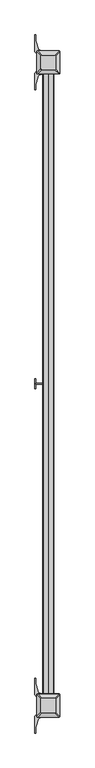
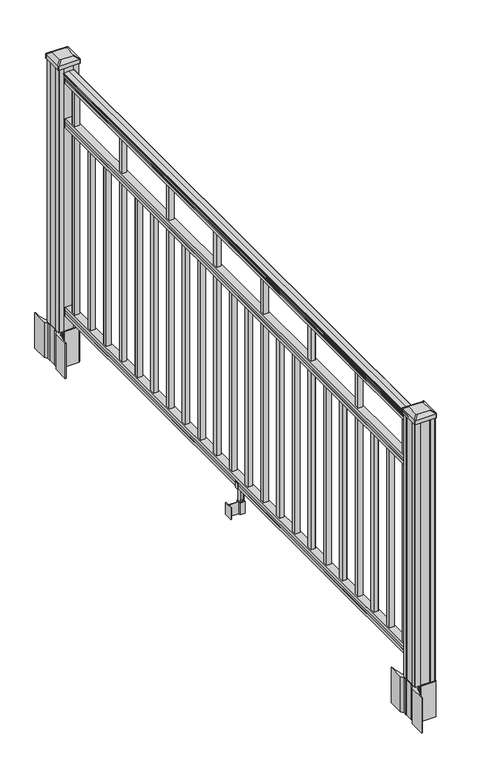
"""IFC4 building model written with IfcOpenShell, lengths in millimetres: railing geometry."""

from ifc_helpers import new_model, si_unit, point, frame, frame_2d, origin, origin_with_axes, place, context, project, spatial, polyline, circle_curve, trimmed, segment, composite_curve, outline, extrude, source, transform, mapped, element, save
from ifc_brep_helpers import plane_surface, extruded_surface, advanced_brep


def railing_6a52abfd(model_context):
    return source(origin(), model_context, "Body", "SolidModel", [
        extrude(outline(composite_curve([segment(polyline([(1090.8043297, 3404.2080205), (1092.692412, 3404.2080205)]), True, "CONTINUOUS"), segment(trimmed(circle_curve(frame_2d((1098.4506383, 3397.8932672)), 8.545951), [point((1092.692412, 3404.2080205))], [point((1094.2546695, 3405.3382068))], False, "CARTESIAN"), True, "CONTINUOUS"), segment(trimmed(circle_curve(frame_2d((1097.8636577, 3398.3303302)), 7.882584), [point((1094.2546695, 3405.3382068))], [point((1101.4726458, 3405.3382068))], False, "CARTESIAN"), True, "CONTINUOUS"), segment(trimmed(circle_curve(frame_2d((1103.7112527, 3408.8436543)), 4.1592695), [point((1101.4726458, 3405.3382068))], [point((1103.9060812, 3404.6889504))], True, "CARTESIAN"), True, "CONTINUOUS"), segment(trimmed(circle_curve(frame_2d((1103.6508864, 3410.1309609)), 5.4479907), [point((1103.9060812, 3404.6889504))], [point((1108.2362083, 3407.1889504))], True, "CARTESIAN"), True, "CONTINUOUS"), segment(trimmed(circle_curve(frame_2d((1108.233395, 3408.8978025)), 1.7088543), [point((1108.2362083, 3407.1889504))], [point((1109.9157972, 3408.5982929))], True, "CARTESIAN"), True, "CONTINUOUS"), segment(trimmed(circle_curve(frame_2d((1111.0205318, 3407.2809024)), 1.7192895), [point((1109.9157972, 3408.5982929))], [point((1111.0205318, 3409.0001919))], False, "CARTESIAN"), True, "CONTINUOUS"), segment(polyline([(1111.0205318, 3409.0001919), (1112.3608158, 3409.0001918)]), True, "CONTINUOUS"), segment(trimmed(circle_curve(frame_2d((1112.3608158, 3407.4467446)), 1.5534472), [point((1112.3608158, 3409.0001918))], [point((1113.914263, 3407.4467446))], False, "CARTESIAN"), True, "CONTINUOUS"), segment(polyline([(1113.914263, 3407.4467446), (1113.914263, 3386.7751918), (1113.914263, 3366.103639)]), True, "CONTINUOUS"), segment(trimmed(circle_curve(frame_2d((1112.3608158, 3366.103639)), 1.5534472), [point((1113.914263, 3366.103639))], [point((1112.3608158, 3364.5501918))], False, "CARTESIAN"), True, "CONTINUOUS"), segment(polyline([(1112.3608158, 3364.5501918), (1111.0205318, 3364.5501918)]), True, "CONTINUOUS"), segment(trimmed(circle_curve(frame_2d((1111.0205318, 3366.2694812)), 1.7192895), [point((1111.0205318, 3364.5501918))], [point((1109.9157972, 3364.9520907))], False, "CARTESIAN"), True, "CONTINUOUS"), segment(trimmed(circle_curve(frame_2d((1108.233395, 3364.6525811)), 1.7088543), [point((1109.9157972, 3364.9520907))], [point((1108.2362083, 3366.3614332))], True, "CARTESIAN"), True, "CONTINUOUS"), segment(trimmed(circle_curve(frame_2d((1103.6508864, 3363.4194227)), 5.4479907), [point((1108.2362083, 3366.3614332))], [point((1103.9060812, 3368.8614332))], True, "CARTESIAN"), True, "CONTINUOUS"), segment(trimmed(circle_curve(frame_2d((1103.7112527, 3364.7067292)), 4.1592695), [point((1103.9060812, 3368.8614332))], [point((1101.4726458, 3368.2121768))], True, "CARTESIAN"), True, "CONTINUOUS"), segment(trimmed(circle_curve(frame_2d((1097.8636577, 3375.2200534)), 7.882584), [point((1101.4726458, 3368.2121768))], [point((1094.2546695, 3368.2121768))], False, "CARTESIAN"), True, "CONTINUOUS"), segment(trimmed(circle_curve(frame_2d((1098.4506383, 3375.6571163)), 8.545951), [point((1094.2546695, 3368.2121768))], [point((1092.692412, 3369.3423631))], False, "CARTESIAN"), True, "CONTINUOUS"), segment(polyline([(1092.692412, 3369.3423631), (1090.8043297, 3369.3423631)]), True, "CONTINUOUS"), segment(trimmed(circle_curve(frame_2d((1090.8043297, 3370.6292774)), 1.2869144), [point((1090.8043297, 3369.3423631))], [point((1090.8043297, 3371.9161918))], False, "CARTESIAN"), True, "CONTINUOUS"), segment(polyline([(1090.8043297, 3371.9161918), (1080.3048283, 3371.9161918), (1079.2888283, 3370.9001918), (1066.8, 3370.9001918), (1066.8, 3402.6501918), (1079.131013, 3402.6501918), (1080.147013, 3401.6341918), (1090.8043297, 3401.6341918)]), True, "CONTINUOUS"), segment(trimmed(circle_curve(frame_2d((1090.8043297, 3402.9211062)), 1.2869144), [point((1090.8043297, 3401.6341918))], [point((1090.8043297, 3404.2080205))], False, "CARTESIAN"), True, "CONTINUOUS")], self_intersect=False)), frame((0.0, -114667.8908968, 0.0), z_axis=(0.0, 1.0, 0.0), x_axis=(0.0, 0.0, 1.0)), (0.0, 0.0, 1.0), 2438.4),
        extrude(outline(polyline([(888.8541976, 3402.6876787), (890.1546183, 3401.6716787), (900.5141717, 3401.6716787), (901.8624492, 3402.6876787), (914.3958781, 3402.6876787), (914.3958781, 3370.9376787), (901.8458024, 3370.9376787), (900.4975248, 3371.9536787), (890.1858283, 3371.9536787), (888.8375508, 3370.9376787), (876.3, 3370.9376787), (876.3, 3402.6876787), (888.8541976, 3402.6876787)])), frame((0.0, -114667.8908968, 0.0), z_axis=(0.0, 1.0, 0.0), x_axis=(0.0, 0.0, 1.0)), (0.0, 0.0, 1.0), 2438.4),
        extrude(outline(polyline([(76.0541976, 3402.6876787), (77.3546183, 3401.6716787), (87.7141717, 3401.6716787), (89.0624492, 3402.6876787), (101.5958781, 3402.6876787), (101.5958781, 3370.9376787), (89.0458024, 3370.9376787), (87.6975248, 3371.9536787), (77.3858283, 3371.9536787), (76.0375508, 3370.9376787), (63.5, 3370.9376787), (63.5, 3402.6876787), (76.0541976, 3402.6876787)])), frame((0.0, -114667.8908968, 0.0), z_axis=(0.0, 1.0, 0.0), x_axis=(0.0, 0.0, 1.0)), (0.0, 0.0, 1.0), 2438.4),
        extrude(outline(polyline([(3396.3001918, -112288.7998968), (3377.2501918, -112288.7998968), (3377.2501918, -112269.7498968), (3396.3001918, -112269.7498968), (3396.3001918, -112288.7998968)]), holes=[polyline([(3395.9033168, -112288.4030218), (3395.9033168, -112270.1467718), (3377.6470668, -112270.1467718), (3377.6470668, -112288.4030218), (3395.9033168, -112288.4030218)])]), frame((0.0, 0.0, 101.5958781), z_axis=(0.0, 0.0, 1.0), x_axis=(1.0, 0.0, 0.0)), (0.0, 0.0, 1.0), 965.2041219),
        extrude(outline(polyline([(3396.3001918, -112400.0518968), (3377.2501918, -112400.0518968), (3377.2501918, -112381.0018968), (3396.3001918, -112381.0018968), (3396.3001918, -112400.0518968)]), holes=[polyline([(3395.9033168, -112399.6550218), (3395.9033168, -112381.3987718), (3377.6470668, -112381.3987718), (3377.6470668, -112399.6550218), (3395.9033168, -112399.6550218)])]), frame((0.0, 0.0, 101.5958781), z_axis=(0.0, 0.0, 1.0), x_axis=(1.0, 0.0, 0.0)), (0.0, 0.0, 1.0), 774.7041219),
        extrude(outline(polyline([(3396.3001918, -112511.3038968), (3377.2501918, -112511.3038968), (3377.2501918, -112492.2538968), (3396.3001918, -112492.2538968), (3396.3001918, -112511.3038968)]), holes=[polyline([(3395.9033168, -112510.9070218), (3395.9033168, -112492.6507718), (3377.6470668, -112492.6507718), (3377.6470668, -112510.9070218), (3395.9033168, -112510.9070218)])]), frame((0.0, 0.0, 101.5958781), z_axis=(0.0, 0.0, 1.0), x_axis=(1.0, 0.0, 0.0)), (0.0, 0.0, 1.0), 774.7041219),
        extrude(outline(polyline([(3396.3001918, -112622.5558968), (3377.2501918, -112622.5558968), (3377.2501918, -112603.5058968), (3396.3001918, -112603.5058968), (3396.3001918, -112622.5558968)]), holes=[polyline([(3395.9033168, -112622.1590218), (3395.9033168, -112603.9027718), (3377.6470668, -112603.9027718), (3377.6470668, -112622.1590218), (3395.9033168, -112622.1590218)])]), frame((0.0, 0.0, 101.5958781), z_axis=(0.0, 0.0, 1.0), x_axis=(1.0, 0.0, 0.0)), (0.0, 0.0, 1.0), 965.2041219),
        extrude(outline(polyline([(3396.3001918, -112733.8078968), (3377.2501918, -112733.8078968), (3377.2501918, -112714.7578968), (3396.3001918, -112714.7578968), (3396.3001918, -112733.8078968)]), holes=[polyline([(3395.9033168, -112733.4110218), (3395.9033168, -112715.1547718), (3377.6470668, -112715.1547718), (3377.6470668, -112733.4110218), (3395.9033168, -112733.4110218)])]), frame((0.0, 0.0, 101.5958781), z_axis=(0.0, 0.0, 1.0), x_axis=(1.0, 0.0, 0.0)), (0.0, 0.0, 1.0), 774.7041219),
        extrude(outline(polyline([(3396.3001918, -112845.0598968), (3377.2501918, -112845.0598968), (3377.2501918, -112826.0098968), (3396.3001918, -112826.0098968), (3396.3001918, -112845.0598968)]), holes=[polyline([(3395.9033168, -112844.6630218), (3395.9033168, -112826.4067718), (3377.6470668, -112826.4067718), (3377.6470668, -112844.6630218), (3395.9033168, -112844.6630218)])]), frame((0.0, 0.0, 101.5958781), z_axis=(0.0, 0.0, 1.0), x_axis=(1.0, 0.0, 0.0)), (0.0, 0.0, 1.0), 774.7041219),
        extrude(outline(polyline([(3396.3001918, -112956.3118968), (3377.2501918, -112956.3118968), (3377.2501918, -112937.2618968), (3396.3001918, -112937.2618968), (3396.3001918, -112956.3118968)]), holes=[polyline([(3395.9033168, -112955.9150218), (3395.9033168, -112937.6587718), (3377.6470668, -112937.6587718), (3377.6470668, -112955.9150218), (3395.9033168, -112955.9150218)])]), frame((0.0, 0.0, 101.5958781), z_axis=(0.0, 0.0, 1.0), x_axis=(1.0, 0.0, 0.0)), (0.0, 0.0, 1.0), 965.2041219),
        extrude(outline(polyline([(3396.3001918, -113067.5638968), (3377.2501918, -113067.5638968), (3377.2501918, -113048.5138968), (3396.3001918, -113048.5138968), (3396.3001918, -113067.5638968)]), holes=[polyline([(3395.9033168, -113067.1670218), (3395.9033168, -113048.9107718), (3377.6470668, -113048.9107718), (3377.6470668, -113067.1670218), (3395.9033168, -113067.1670218)])]), frame((0.0, 0.0, 101.5958781), z_axis=(0.0, 0.0, 1.0), x_axis=(1.0, 0.0, 0.0)), (0.0, 0.0, 1.0), 774.7041219),
        extrude(outline(polyline([(3396.3001918, -113178.8158968), (3377.2501918, -113178.8158968), (3377.2501918, -113159.7658968), (3396.3001918, -113159.7658968), (3396.3001918, -113178.8158968)]), holes=[polyline([(3395.9033168, -113178.4190218), (3395.9033168, -113160.1627718), (3377.6470668, -113160.1627718), (3377.6470668, -113178.4190218), (3395.9033168, -113178.4190218)])]), frame((0.0, 0.0, 101.5958781), z_axis=(0.0, 0.0, 1.0), x_axis=(1.0, 0.0, 0.0)), (0.0, 0.0, 1.0), 774.7041219),
        extrude(outline(polyline([(3396.3001918, -113290.0678968), (3377.2501918, -113290.0678968), (3377.2501918, -113271.0178968), (3396.3001918, -113271.0178968), (3396.3001918, -113290.0678968)]), holes=[polyline([(3395.9033168, -113289.6710218), (3395.9033168, -113271.4147718), (3377.6470668, -113271.4147718), (3377.6470668, -113289.6710218), (3395.9033168, -113289.6710218)])]), frame((0.0, 0.0, 101.5958781), z_axis=(0.0, 0.0, 1.0), x_axis=(1.0, 0.0, 0.0)), (0.0, 0.0, 1.0), 965.2041219),
        extrude(outline(polyline([(3396.3001918, -113401.3198968), (3377.2501918, -113401.3198968), (3377.2501918, -113382.2698968), (3396.3001918, -113382.2698968), (3396.3001918, -113401.3198968)]), holes=[polyline([(3395.9033168, -113400.9230218), (3395.9033168, -113382.6667718), (3377.6470668, -113382.6667718), (3377.6470668, -113400.9230218), (3395.9033168, -113400.9230218)])]), frame((0.0, 0.0, 101.5958781), z_axis=(0.0, 0.0, 1.0), x_axis=(1.0, 0.0, 0.0)), (0.0, 0.0, 1.0), 774.7041219),
        extrude(outline(polyline([(3376.107192, -113448.6908968), (3336.7371918, -113448.6908968), (3336.7371918, -113446.1508968), (3376.107192, -113446.1508968), (3376.107192, -113448.6908968)])), frame((0.0, 0.0, -50.8), z_axis=(0.0, 0.0, 1.0), x_axis=(1.0, 0.0, 0.0)), (0.0, 0.0, 1.0), 50.8),
        extrude(outline(polyline([(3336.7371918, -113466.4708968), (3334.1971918, -113466.4708968), (3334.1971918, -113428.3708968), (3336.7371918, -113428.3708968), (3336.7371918, -113466.4708968)])), frame((0.0, 0.0, -50.8), z_axis=(0.0, 0.0, 1.0), x_axis=(1.0, 0.0, 0.0)), (0.0, 0.0, 1.0), 50.8),
        extrude(outline(polyline([(3397.4431925, -113457.3268968), (3376.107192, -113457.3268968), (3376.107192, -113437.5148968), (3397.4431925, -113437.5148968), (3397.4431925, -113457.3268968)]), holes=[polyline([(3394.1411924, -113454.7868968), (3394.1411924, -113440.0548968), (3379.4091921, -113440.0548968), (3379.4091921, -113454.7868968), (3394.1411924, -113454.7868968)])]), frame((0.0, 0.0, -50.8), z_axis=(0.0, 0.0, 1.0), x_axis=(1.0, 0.0, 0.0)), (0.0, 0.0, 1.0), 50.8),
        extrude(outline(polyline([(88.7203979, 3368.614193), (87.9583969, 3367.8521919), (61.4680023, 3367.8521919), (60.7060013, 3368.614193), (60.7060013, 3378.647192), (59.9440012, 3379.4091921), (-3.5559988, 3379.4091921), (-3.5559988, 3394.1411924), (59.9440012, 3394.1411924), (60.7060013, 3394.9031925), (60.7060013, 3404.9361916), (61.4680023, 3405.6981926), (87.9583969, 3405.6981926), (88.7203979, 3404.9361916), (88.7203979, 3402.904192), (87.7043953, 3401.8881922), (77.2686081, 3401.8881922), (76.2526073, 3402.904192), (64.262001, 3402.904192), (63.5000019, 3402.1421928), (63.5000019, 3371.4081917), (64.262001, 3370.6461926), (76.2526073, 3370.6461926), (77.2686081, 3371.6621924), (87.7043953, 3371.6621924), (88.7203979, 3370.6461926), (88.7203979, 3368.614193)]), holes=[polyline([(60.7060013, 3390.2041922), (59.9440012, 3390.9661923), (3.9370031, 3390.9661923), (3.1750031, 3390.2041922), (3.1750031, 3383.3461895), (3.9370003, 3382.5841923), (59.9440012, 3382.5841923), (60.7060013, 3383.3461924), (60.7060013, 3390.2041922)])]), frame((0.0, -113454.7868968, 0.0), z_axis=(0.0, 1.0, 0.0), x_axis=(0.0, 0.0, 1.0)), (0.0, 0.0, 1.0), 14.732),
        extrude(outline(polyline([(3396.3001918, -113512.5718968), (3377.2501918, -113512.5718968), (3377.2501918, -113493.5218968), (3396.3001918, -113493.5218968), (3396.3001918, -113512.5718968)]), holes=[polyline([(3395.9033168, -113512.1750218), (3395.9033168, -113493.9187718), (3377.6470668, -113493.9187718), (3377.6470668, -113512.1750218), (3395.9033168, -113512.1750218)])]), frame((0.0, 0.0, 101.5958781), z_axis=(0.0, 0.0, 1.0), x_axis=(1.0, 0.0, 0.0)), (0.0, 0.0, 1.0), 774.7041219),
        extrude(outline(polyline([(3396.3001918, -113623.8238968), (3377.2501918, -113623.8238968), (3377.2501918, -113604.7738968), (3396.3001918, -113604.7738968), (3396.3001918, -113623.8238968)]), holes=[polyline([(3395.9033168, -113623.4270218), (3395.9033168, -113605.1707718), (3377.6470668, -113605.1707718), (3377.6470668, -113623.4270218), (3395.9033168, -113623.4270218)])]), frame((0.0, 0.0, 101.5958781), z_axis=(0.0, 0.0, 1.0), x_axis=(1.0, 0.0, 0.0)), (0.0, 0.0, 1.0), 965.2041219),
        extrude(outline(polyline([(3396.3001918, -113735.0758968), (3377.2501918, -113735.0758968), (3377.2501918, -113716.0258968), (3396.3001918, -113716.0258968), (3396.3001918, -113735.0758968)]), holes=[polyline([(3395.9033168, -113734.6790218), (3395.9033168, -113716.4227718), (3377.6470668, -113716.4227718), (3377.6470668, -113734.6790218), (3395.9033168, -113734.6790218)])]), frame((0.0, 0.0, 101.5958781), z_axis=(0.0, 0.0, 1.0), x_axis=(1.0, 0.0, 0.0)), (0.0, 0.0, 1.0), 774.7041219),
        extrude(outline(polyline([(3396.3001918, -113846.3278968), (3377.2501918, -113846.3278968), (3377.2501918, -113827.2778968), (3396.3001918, -113827.2778968), (3396.3001918, -113846.3278968)]), holes=[polyline([(3395.9033168, -113845.9310218), (3395.9033168, -113827.6747718), (3377.6470668, -113827.6747718), (3377.6470668, -113845.9310218), (3395.9033168, -113845.9310218)])]), frame((0.0, 0.0, 101.5958781), z_axis=(0.0, 0.0, 1.0), x_axis=(1.0, 0.0, 0.0)), (0.0, 0.0, 1.0), 774.7041219),
        extrude(outline(polyline([(3396.3001918, -113957.5798968), (3377.2501918, -113957.5798968), (3377.2501918, -113938.5298968), (3396.3001918, -113938.5298968), (3396.3001918, -113957.5798968)]), holes=[polyline([(3395.9033168, -113957.1830218), (3395.9033168, -113938.9267718), (3377.6470668, -113938.9267718), (3377.6470668, -113957.1830218), (3395.9033168, -113957.1830218)])]), frame((0.0, 0.0, 101.5958781), z_axis=(0.0, 0.0, 1.0), x_axis=(1.0, 0.0, 0.0)), (0.0, 0.0, 1.0), 965.2041219),
        extrude(outline(polyline([(3396.3001918, -114068.8318968), (3377.2501918, -114068.8318968), (3377.2501918, -114049.7818968), (3396.3001918, -114049.7818968), (3396.3001918, -114068.8318968)]), holes=[polyline([(3395.9033168, -114068.4350218), (3395.9033168, -114050.1787718), (3377.6470668, -114050.1787718), (3377.6470668, -114068.4350218), (3395.9033168, -114068.4350218)])]), frame((0.0, 0.0, 101.5958781), z_axis=(0.0, 0.0, 1.0), x_axis=(1.0, 0.0, 0.0)), (0.0, 0.0, 1.0), 774.7041219),
        extrude(outline(polyline([(3396.3001918, -114180.0838968), (3377.2501918, -114180.0838968), (3377.2501918, -114161.0338968), (3396.3001918, -114161.0338968), (3396.3001918, -114180.0838968)]), holes=[polyline([(3395.9033168, -114179.6870218), (3395.9033168, -114161.4307718), (3377.6470668, -114161.4307718), (3377.6470668, -114179.6870218), (3395.9033168, -114179.6870218)])]), frame((0.0, 0.0, 101.5958781), z_axis=(0.0, 0.0, 1.0), x_axis=(1.0, 0.0, 0.0)), (0.0, 0.0, 1.0), 774.7041219),
        extrude(outline(polyline([(3396.3001918, -114291.3358968), (3377.2501918, -114291.3358968), (3377.2501918, -114272.2858968), (3396.3001918, -114272.2858968), (3396.3001918, -114291.3358968)]), holes=[polyline([(3395.9033168, -114290.9390218), (3395.9033168, -114272.6827718), (3377.6470668, -114272.6827718), (3377.6470668, -114290.9390218), (3395.9033168, -114290.9390218)])]), frame((0.0, 0.0, 101.5958781), z_axis=(0.0, 0.0, 1.0), x_axis=(1.0, 0.0, 0.0)), (0.0, 0.0, 1.0), 965.2041219),
        extrude(outline(polyline([(3396.3001918, -114402.5878968), (3377.2501918, -114402.5878968), (3377.2501918, -114383.5378968), (3396.3001918, -114383.5378968), (3396.3001918, -114402.5878968)]), holes=[polyline([(3395.9033168, -114402.1910218), (3395.9033168, -114383.9347718), (3377.6470668, -114383.9347718), (3377.6470668, -114402.1910218), (3395.9033168, -114402.1910218)])]), frame((0.0, 0.0, 101.5958781), z_axis=(0.0, 0.0, 1.0), x_axis=(1.0, 0.0, 0.0)), (0.0, 0.0, 1.0), 774.7041219),
        extrude(outline(polyline([(3396.3001918, -114513.8398968), (3377.2501918, -114513.8398968), (3377.2501918, -114494.7898968), (3396.3001918, -114494.7898968), (3396.3001918, -114513.8398968)]), holes=[polyline([(3395.9033168, -114513.4430218), (3395.9033168, -114495.1867718), (3377.6470668, -114495.1867718), (3377.6470668, -114513.4430218), (3395.9033168, -114513.4430218)])]), frame((0.0, 0.0, 101.5958781), z_axis=(0.0, 0.0, 1.0), x_axis=(1.0, 0.0, 0.0)), (0.0, 0.0, 1.0), 774.7041219),
        extrude(outline(polyline([(3396.3001918, -114625.0918968), (3377.2501918, -114625.0918968), (3377.2501918, -114606.0418968), (3396.3001918, -114606.0418968), (3396.3001918, -114625.0918968)]), holes=[polyline([(3395.9033168, -114624.6950218), (3395.9033168, -114606.4387718), (3377.6470668, -114606.4387718), (3377.6470668, -114624.6950218), (3395.9033168, -114624.6950218)])]), frame((0.0, 0.0, 101.5958781), z_axis=(0.0, 0.0, 1.0), x_axis=(1.0, 0.0, 0.0)), (0.0, 0.0, 1.0), 965.2041219),
        extrude(outline(composite_curve([segment(polyline([(3429.5106918, -112205.4749917), (3431.0981918, -112206.2369917), (3431.0981918, -112229.0389198), (3427.7252147, -112232.4118968), (3366.2655439, -112232.4118968), (3366.2655439, -112233.3326468), (3360.9480001, -112233.3326468), (3360.9480001, -112234.7869015), (3355.8634704, -112234.7869015), (3355.8634704, -112236.0709253), (3354.1961981, -112236.0709253)]), True, "CONTINUOUS"), segment(trimmed(circle_curve(frame_2d((3354.1961981, -112243.1303852)), 7.0594599), [point((3354.1961981, -112236.0709253))], [point((3347.4289352, -112241.1203785))], True, "CARTESIAN"), True, "CONTINUOUS"), segment(polyline([(3347.4289352, -112241.1203785), (3339.554741, -112267.6311076)]), True, "CONTINUOUS"), segment(trimmed(circle_curve(frame_2d((3394.3392543, -112283.9031573)), 57.15), [point((3339.554741, -112267.6311076))], [point((3337.1892543, -112283.9031573))], True, "CARTESIAN"), True, "CONTINUOUS"), segment(polyline([(3337.1892543, -112283.9031573), (3337.1892543, -112295.9118968), (3334.1892543, -112295.9118968), (3334.1892543, -112230.8243968), (3342.4521918, -112219.4861055), (3342.4521918, -112206.2369917), (3344.0396918, -112205.4749917), (3344.0396918, -112170.702802), (3342.4521918, -112169.940802), (3342.4521918, -112156.6916882), (3334.1892543, -112145.3533968), (3334.1892543, -112080.2658968), (3337.1892543, -112080.2658968), (3337.1892543, -112092.2746364)]), True, "CONTINUOUS"), segment(trimmed(circle_curve(frame_2d((3394.3392543, -112092.2746364)), 57.15), [point((3337.1892543, -112092.2746364))], [point((3339.554741, -112108.546686))], True, "CARTESIAN"), True, "CONTINUOUS"), segment(polyline([(3339.554741, -112108.546686), (3347.4289352, -112135.0574151)]), True, "CONTINUOUS"), segment(trimmed(circle_curve(frame_2d((3354.1961981, -112133.0474085)), 7.0594599), [point((3347.4289352, -112135.0574151))], [point((3354.1961981, -112140.1068683))], True, "CARTESIAN"), True, "CONTINUOUS"), segment(polyline([(3354.1961981, -112140.1068683), (3355.8634704, -112140.1068683), (3355.8634704, -112141.3908921), (3360.9480001, -112141.3908921), (3360.9480001, -112142.8451468), (3366.2655439, -112142.8451468), (3366.2655439, -112143.7658968), (3427.7252147, -112143.7658968), (3431.0981918, -112147.1388739), (3431.0981918, -112169.940802), (3429.5106918, -112170.702802), (3429.5106918, -112205.4749917)]), True, "CONTINUOUS")], self_intersect=False), holes=[polyline([(3345.5001918, -112148.4013968), (3345.5001918, -112227.7763968), (3347.0876918, -112229.3638968), (3384.0119744, -112229.3638968), (3426.4626918, -112229.3638968), (3428.0501918, -112227.7763968), (3428.0501918, -112148.4013968), (3426.4626918, -112146.8138968), (3384.0119744, -112146.8138968), (3347.0876918, -112146.8138968), (3345.5001918, -112148.4013968)])]), frame((0.0, 0.0, -152.4), z_axis=(0.0, 0.0, 1.0), x_axis=(1.0, 0.0, 0.0)), (0.0, 0.0, 1.0), 152.4),
        advanced_brep(
        [(3360.9783168, -112217.0607718, 1165.225), (3412.5720668, -112217.0607718, 1165.225), (3415.7470668, -112213.8857718, 1165.225), (3415.7470668, -112162.2920218, 1165.225), (3412.5720668, -112159.1170218, 1165.225), (3360.9783168, -112159.1170218, 1165.225), (3357.8033168, -112162.2920218, 1165.225), (3357.8033168, -112213.8857718, 1165.225), (3344.7064418, -112233.3326468, 1153.922), (3341.5314418, -112230.1576468, 1153.922), (3341.5314418, -112146.0201468, 1153.922), (3344.7064418, -112142.8451468, 1153.922), (3428.8439418, -112142.8451468, 1153.922), (3432.0189418, -112146.0201468, 1153.922), (3432.0189418, -112230.1576468, 1153.922), (3428.8439418, -112233.3326468, 1153.922)],
        [
            (0, 1),
            (1, 2, circle_curve(frame((3412.5720668, -112213.8857718, 1165.225), z_axis=(0.0, 0.0, 1.0), x_axis=(0.0, 1.0, 0.0)), 3.175)),
            (2, 3),
            (3, 4, circle_curve(frame((3412.5720668, -112162.2920218, 1165.225), z_axis=(0.0, 0.0, 1.0), x_axis=(0.0, 1.0, 0.0)), 3.175)),
            (4, 5),
            (5, 6, circle_curve(frame((3360.9783168, -112162.2920218, 1165.225), z_axis=(0.0, 0.0, 1.0), x_axis=(0.0, 1.0, 0.0)), 3.175)),
            (6, 7),
            (7, 0, circle_curve(frame((3360.9783168, -112213.8857718, 1165.225), z_axis=(0.0, 0.0, 1.0), x_axis=(0.0, 1.0, 0.0)), 3.175)),
            (8, 9, circle_curve(frame((3344.7064418, -112230.1576468, 1153.922), z_axis=(0.0, 0.0, -1.0), x_axis=(0.0, 1.0, 0.0)), 3.175)),
            (9, 10),
            (10, 11, circle_curve(frame((3344.7064418, -112146.0201468, 1153.922), z_axis=(0.0, 0.0, -1.0), x_axis=(0.0, 1.0, 0.0)), 3.175)),
            (11, 12),
            (12, 13, circle_curve(frame((3428.8439418, -112146.0201468, 1153.922), z_axis=(0.0, 0.0, -1.0), x_axis=(0.0, 1.0, 0.0)), 3.175)),
            (13, 14),
            (14, 15, circle_curve(frame((3428.8439418, -112230.1576468, 1153.922), z_axis=(0.0, 0.0, -1.0), x_axis=(0.0, 1.0, 0.0)), 3.175)),
            (15, 8),
            (8, 0),
            (7, 9),
            (6, 10),
            (5, 11),
            (4, 12),
            (3, 13),
            (2, 14),
            (1, 15),
        ],
        [
            plane_surface(frame((3386.7751918, -112188.0888968, 1165.225), z_axis=(0.0, 0.0, 1.0), x_axis=(-1.0, 0.0, 0.0))),
            plane_surface(frame((3386.7751918, -112188.0888968, 1153.922), z_axis=(0.0, 0.0, -1.0), x_axis=(-1.0, 0.0, 0.0))),
            extruded_surface(trimmed(circle_curve(frame((3360.9783168, -112213.8857718, 1165.225), z_axis=(0.0, 0.0, -1.0), x_axis=(0.0, 1.0, 0.0)), 3.175), [point((3360.9783168, -112217.0607718, 1165.225))], [point((3357.8033168, -112213.8857718, 1165.225))], True, "CARTESIAN"), (-16.27187499999991, -16.27187499999127, -11.302999999999884), 25.63797263886051),
            plane_surface(frame((3341.5314418, -112188.0888968, 1153.922), z_axis=(-0.5705009161540777, 0.0, 0.8212969649690409), x_axis=(0.0, 1.0, 0.0))),
            extruded_surface(trimmed(circle_curve(frame((3360.9783168, -112162.2920218, 1165.225), z_axis=(0.0, 0.0, -1.0), x_axis=(0.0, 1.0, 0.0)), 3.175), [point((3357.8033168, -112162.2920218, 1165.225))], [point((3360.9783168, -112159.1170218, 1165.225))], True, "CARTESIAN"), (-16.27187499999991, 16.27187500000582, -11.302999999999884), 25.637972638869748),
            plane_surface(frame((3386.7751918, -112142.8451468, 1153.922), z_axis=(0.0, 0.5705009161540291, 0.8212969649690747), x_axis=(1.0, 0.0, 0.0))),
            extruded_surface(trimmed(circle_curve(frame((3412.5720668, -112162.2920218, 1165.225), z_axis=(0.0, 0.0, -1.0), x_axis=(0.0, 1.0, 0.0)), 3.175), [point((3412.5720668, -112159.1170218, 1165.225))], [point((3415.7470668, -112162.2920218, 1165.225))], True, "CARTESIAN"), (16.27187499999991, 16.27187500000582, -11.302999999999884), 25.637972638869748),
            plane_surface(frame((3432.0189418, -112188.0888968, 1153.922), z_axis=(0.5705009161540143, 0.0, 0.821296964969085), x_axis=(0.0, -1.0, 0.0))),
            extruded_surface(trimmed(circle_curve(frame((3412.5720668, -112213.8857718, 1165.225), z_axis=(0.0, 0.0, -1.0), x_axis=(0.0, 1.0, 0.0)), 3.175), [point((3415.7470668, -112213.8857718, 1165.225))], [point((3412.5720668, -112217.0607718, 1165.225))], True, "CARTESIAN"), (16.27187499999991, -16.27187499999127, -11.302999999999884), 25.63797263886051),
            plane_surface(frame((3386.7751918, -112233.3326468, 1153.922), z_axis=(0.0, -0.570500916154034, 0.8212969649690713), x_axis=(-1.0, 0.0, 0.0))),
        ],
        [
            (0, [[1, 2, 3, 4, 5, 6, 7, 8]]),
            (1, [[9, 10, 11, 12, 13, 14, 15, 16]]),
            (2, [[17, -8, 18, -9]]),
            (3, [[-18, -7, 19, -10]]),
            (4, [[-19, -6, 20, -11]]),
            (5, [[-20, -5, 21, -12]]),
            (6, [[-21, -4, 22, -13]]),
            (7, [[-22, -3, 23, -14]]),
            (8, [[-23, -2, 24, -15]]),
            (9, [[-24, -1, -17, -16]]),
        ],
    ),
        extrude(outline(composite_curve([segment(trimmed(circle_curve(frame_2d((3344.7064418, -112230.1576468)), 3.175), [point((3344.7064418, -112233.3326468))], [point((3341.5314418, -112230.1576468))], False, "CARTESIAN"), True, "CONTINUOUS"), segment(polyline([(3341.5314418, -112230.1576468), (3341.5314418, -112146.0201468)]), True, "CONTINUOUS"), segment(trimmed(circle_curve(frame_2d((3344.7064418, -112146.0201468)), 3.175), [point((3341.5314418, -112146.0201468))], [point((3344.7064418, -112142.8451468))], False, "CARTESIAN"), True, "CONTINUOUS"), segment(polyline([(3344.7064418, -112142.8451468), (3428.8439418, -112142.8451468)]), True, "CONTINUOUS"), segment(trimmed(circle_curve(frame_2d((3428.8439418, -112146.0201468)), 3.175), [point((3428.8439418, -112142.8451468))], [point((3432.0189418, -112146.0201468))], False, "CARTESIAN"), True, "CONTINUOUS"), segment(polyline([(3432.0189418, -112146.0201468), (3432.0189418, -112230.1576468)]), True, "CONTINUOUS"), segment(trimmed(circle_curve(frame_2d((3428.8439418, -112230.1576468)), 3.175), [point((3432.0189418, -112230.1576468))], [point((3428.8439418, -112233.3326468))], False, "CARTESIAN"), True, "CONTINUOUS"), segment(polyline([(3428.8439418, -112233.3326468), (3344.7064418, -112233.3326468)]), True, "CONTINUOUS")], self_intersect=False)), frame((0.0, 0.0, 1136.65), z_axis=(0.0, 0.0, 1.0), x_axis=(1.0, 0.0, 0.0)), (0.0, 0.0, 1.0), 17.272),
        extrude(outline(polyline([(3347.0876918, -112229.3638968), (3345.5001918, -112227.7763968), (3345.5001918, -112208.1548968), (3347.0876918, -112207.3928968), (3347.0876918, -112168.7848968), (3345.5001918, -112168.0228968), (3345.5001918, -112148.4013968), (3347.0876918, -112146.8138968), (3366.7091918, -112146.8138968), (3367.4711918, -112148.4013968), (3406.0791918, -112148.4013968), (3406.8411918, -112146.8138968), (3426.4626918, -112146.8138968), (3428.0501918, -112148.4013968), (3428.0501918, -112168.0228968), (3426.4626918, -112168.7848968), (3426.4626918, -112207.3928968), (3428.0501918, -112208.1548968), (3428.0501918, -112227.7763968), (3426.4626918, -112229.3638968), (3406.8411918, -112229.3638968), (3406.0791918, -112227.7763968), (3367.4711918, -112227.7763968), (3366.7091918, -112229.3638968), (3347.0876918, -112229.3638968)])), origin_with_axes(), (0.0, 0.0, 1.0), 1136.65),
        extrude(outline(composite_curve([segment(polyline([(3429.5106918, -114726.6789917), (3431.0981918, -114727.4409917), (3431.0981918, -114750.2429198), (3427.7252147, -114753.6158968), (3366.2655439, -114753.6158968), (3366.2655439, -114754.5366468), (3360.9480001, -114754.5366468), (3360.9480001, -114755.9909015), (3355.8634704, -114755.9909015), (3355.8634704, -114757.2749253), (3354.1961981, -114757.2749253)]), True, "CONTINUOUS"), segment(trimmed(circle_curve(frame_2d((3354.1961981, -114764.3343852)), 7.0594599), [point((3354.1961981, -114757.2749253))], [point((3347.4289352, -114762.3243785))], True, "CARTESIAN"), True, "CONTINUOUS"), segment(polyline([(3347.4289352, -114762.3243785), (3339.554741, -114788.8351076)]), True, "CONTINUOUS"), segment(trimmed(circle_curve(frame_2d((3394.3392543, -114805.1071573)), 57.15), [point((3339.554741, -114788.8351076))], [point((3337.1892543, -114805.1071573))], True, "CARTESIAN"), True, "CONTINUOUS"), segment(polyline([(3337.1892543, -114805.1071573), (3337.1892543, -114817.1158968), (3334.1892543, -114817.1158968), (3334.1892543, -114752.0283968), (3342.4521918, -114740.6901055), (3342.4521918, -114727.4409917), (3344.0396918, -114726.6789917), (3344.0396918, -114691.906802), (3342.4521918, -114691.144802), (3342.4521918, -114677.8956882), (3334.1892543, -114666.5573968), (3334.1892543, -114601.4698968), (3337.1892543, -114601.4698968), (3337.1892543, -114613.4786364)]), True, "CONTINUOUS"), segment(trimmed(circle_curve(frame_2d((3394.3392543, -114613.4786364)), 57.15), [point((3337.1892543, -114613.4786364))], [point((3339.554741, -114629.750686))], True, "CARTESIAN"), True, "CONTINUOUS"), segment(polyline([(3339.554741, -114629.750686), (3347.4289352, -114656.2614151)]), True, "CONTINUOUS"), segment(trimmed(circle_curve(frame_2d((3354.1961981, -114654.2514085)), 7.0594599), [point((3347.4289352, -114656.2614151))], [point((3354.1961981, -114661.3108683))], True, "CARTESIAN"), True, "CONTINUOUS"), segment(polyline([(3354.1961981, -114661.3108683), (3355.8634704, -114661.3108683), (3355.8634704, -114662.5948921), (3360.9480001, -114662.5948921), (3360.9480001, -114664.0491468), (3366.2655439, -114664.0491468), (3366.2655439, -114664.9698968), (3427.7252147, -114664.9698968), (3431.0981918, -114668.3428739), (3431.0981918, -114691.144802), (3429.5106918, -114691.906802), (3429.5106918, -114726.6789917)]), True, "CONTINUOUS")], self_intersect=False), holes=[polyline([(3345.5001918, -114669.6053968), (3345.5001918, -114748.9803968), (3347.0876918, -114750.5678968), (3384.0119744, -114750.5678968), (3426.4626918, -114750.5678968), (3428.0501918, -114748.9803968), (3428.0501918, -114669.6053968), (3426.4626918, -114668.0178968), (3384.0119744, -114668.0178968), (3347.0876918, -114668.0178968), (3345.5001918, -114669.6053968)])]), frame((0.0, 0.0, -152.4), z_axis=(0.0, 0.0, 1.0), x_axis=(1.0, 0.0, 0.0)), (0.0, 0.0, 1.0), 152.4),
        advanced_brep(
        [(3360.9783168, -114738.2647718, 1165.225), (3412.5720668, -114738.2647718, 1165.225), (3415.7470668, -114735.0897718, 1165.225), (3415.7470668, -114683.4960218, 1165.225), (3412.5720668, -114680.3210218, 1165.225), (3360.9783168, -114680.3210218, 1165.225), (3357.8033168, -114683.4960218, 1165.225), (3357.8033168, -114735.0897718, 1165.225), (3344.7064418, -114754.5366468, 1153.922), (3341.5314418, -114751.3616468, 1153.922), (3341.5314418, -114667.2241468, 1153.922), (3344.7064418, -114664.0491468, 1153.922), (3428.8439418, -114664.0491468, 1153.922), (3432.0189418, -114667.2241468, 1153.922), (3432.0189418, -114751.3616468, 1153.922), (3428.8439418, -114754.5366468, 1153.922)],
        [
            (0, 1),
            (1, 2, circle_curve(frame((3412.5720668, -114735.0897718, 1165.225), z_axis=(0.0, 0.0, 1.0), x_axis=(0.0, 1.0, 0.0)), 3.175)),
            (2, 3),
            (3, 4, circle_curve(frame((3412.5720668, -114683.4960218, 1165.225), z_axis=(0.0, 0.0, 1.0), x_axis=(0.0, 1.0, 0.0)), 3.175)),
            (4, 5),
            (5, 6, circle_curve(frame((3360.9783168, -114683.4960218, 1165.225), z_axis=(0.0, 0.0, 1.0), x_axis=(0.0, 1.0, 0.0)), 3.175)),
            (6, 7),
            (7, 0, circle_curve(frame((3360.9783168, -114735.0897718, 1165.225), z_axis=(0.0, 0.0, 1.0), x_axis=(0.0, 1.0, 0.0)), 3.175)),
            (8, 9, circle_curve(frame((3344.7064418, -114751.3616468, 1153.922), z_axis=(0.0, 0.0, -1.0), x_axis=(0.0, 1.0, 0.0)), 3.175)),
            (9, 10),
            (10, 11, circle_curve(frame((3344.7064418, -114667.2241468, 1153.922), z_axis=(0.0, 0.0, -1.0), x_axis=(0.0, 1.0, 0.0)), 3.175)),
            (11, 12),
            (12, 13, circle_curve(frame((3428.8439418, -114667.2241468, 1153.922), z_axis=(0.0, 0.0, -1.0), x_axis=(0.0, 1.0, 0.0)), 3.175)),
            (13, 14),
            (14, 15, circle_curve(frame((3428.8439418, -114751.3616468, 1153.922), z_axis=(0.0, 0.0, -1.0), x_axis=(0.0, 1.0, 0.0)), 3.175)),
            (15, 8),
            (8, 0),
            (7, 9),
            (6, 10),
            (5, 11),
            (4, 12),
            (3, 13),
            (2, 14),
            (1, 15),
        ],
        [
            plane_surface(frame((3386.7751918, -114709.2928968, 1165.225), z_axis=(0.0, 0.0, 1.0), x_axis=(-1.0, 0.0, 0.0))),
            plane_surface(frame((3386.7751918, -114709.2928968, 1153.922), z_axis=(0.0, 0.0, -1.0), x_axis=(-1.0, 0.0, 0.0))),
            extruded_surface(trimmed(circle_curve(frame((3360.9783168, -114735.0897718, 1165.225), z_axis=(0.0, 0.0, -1.0), x_axis=(0.0, 1.0, 0.0)), 3.175), [point((3360.9783168, -114738.2647718, 1165.225))], [point((3357.8033168, -114735.0897718, 1165.225))], True, "CARTESIAN"), (-16.27187499999991, -16.27187499999127, -11.302999999999884), 25.63797263886051),
            plane_surface(frame((3341.5314418, -114709.2928968, 1153.922), z_axis=(-0.5705009161540777, 0.0, 0.8212969649690409), x_axis=(0.0, 1.0, 0.0))),
            extruded_surface(trimmed(circle_curve(frame((3360.9783168, -114683.4960218, 1165.225), z_axis=(0.0, 0.0, -1.0), x_axis=(0.0, 1.0, 0.0)), 3.175), [point((3357.8033168, -114683.4960218, 1165.225))], [point((3360.9783168, -114680.3210218, 1165.225))], True, "CARTESIAN"), (-16.27187499999991, 16.27187500000582, -11.302999999999884), 25.637972638869748),
            plane_surface(frame((3386.7751918, -114664.0491468, 1153.922), z_axis=(0.0, 0.5705009161540291, 0.8212969649690747), x_axis=(1.0, 0.0, 0.0))),
            extruded_surface(trimmed(circle_curve(frame((3412.5720668, -114683.4960218, 1165.225), z_axis=(0.0, 0.0, -1.0), x_axis=(0.0, 1.0, 0.0)), 3.175), [point((3412.5720668, -114680.3210218, 1165.225))], [point((3415.7470668, -114683.4960218, 1165.225))], True, "CARTESIAN"), (16.27187499999991, 16.27187500000582, -11.302999999999884), 25.637972638869748),
            plane_surface(frame((3432.0189418, -114709.2928968, 1153.922), z_axis=(0.5705009161540143, 0.0, 0.821296964969085), x_axis=(0.0, -1.0, 0.0))),
            extruded_surface(trimmed(circle_curve(frame((3412.5720668, -114735.0897718, 1165.225), z_axis=(0.0, 0.0, -1.0), x_axis=(0.0, 1.0, 0.0)), 3.175), [point((3415.7470668, -114735.0897718, 1165.225))], [point((3412.5720668, -114738.2647718, 1165.225))], True, "CARTESIAN"), (16.27187499999991, -16.27187499999127, -11.302999999999884), 25.63797263886051),
            plane_surface(frame((3386.7751918, -114754.5366468, 1153.922), z_axis=(0.0, -0.570500916154034, 0.8212969649690713), x_axis=(-1.0, 0.0, 0.0))),
        ],
        [
            (0, [[1, 2, 3, 4, 5, 6, 7, 8]]),
            (1, [[9, 10, 11, 12, 13, 14, 15, 16]]),
            (2, [[17, -8, 18, -9]]),
            (3, [[-18, -7, 19, -10]]),
            (4, [[-19, -6, 20, -11]]),
            (5, [[-20, -5, 21, -12]]),
            (6, [[-21, -4, 22, -13]]),
            (7, [[-22, -3, 23, -14]]),
            (8, [[-23, -2, 24, -15]]),
            (9, [[-24, -1, -17, -16]]),
        ],
    ),
        extrude(outline(composite_curve([segment(trimmed(circle_curve(frame_2d((3344.7064418, -114751.3616468)), 3.175), [point((3344.7064418, -114754.5366468))], [point((3341.5314418, -114751.3616468))], False, "CARTESIAN"), True, "CONTINUOUS"), segment(polyline([(3341.5314418, -114751.3616468), (3341.5314418, -114667.2241468)]), True, "CONTINUOUS"), segment(trimmed(circle_curve(frame_2d((3344.7064418, -114667.2241468)), 3.175), [point((3341.5314418, -114667.2241468))], [point((3344.7064418, -114664.0491468))], False, "CARTESIAN"), True, "CONTINUOUS"), segment(polyline([(3344.7064418, -114664.0491468), (3428.8439418, -114664.0491468)]), True, "CONTINUOUS"), segment(trimmed(circle_curve(frame_2d((3428.8439418, -114667.2241468)), 3.175), [point((3428.8439418, -114664.0491468))], [point((3432.0189418, -114667.2241468))], False, "CARTESIAN"), True, "CONTINUOUS"), segment(polyline([(3432.0189418, -114667.2241468), (3432.0189418, -114751.3616468)]), True, "CONTINUOUS"), segment(trimmed(circle_curve(frame_2d((3428.8439418, -114751.3616468)), 3.175), [point((3432.0189418, -114751.3616468))], [point((3428.8439418, -114754.5366468))], False, "CARTESIAN"), True, "CONTINUOUS"), segment(polyline([(3428.8439418, -114754.5366468), (3344.7064418, -114754.5366468)]), True, "CONTINUOUS")], self_intersect=False)), frame((0.0, 0.0, 1136.65), z_axis=(0.0, 0.0, 1.0), x_axis=(1.0, 0.0, 0.0)), (0.0, 0.0, 1.0), 17.272),
        extrude(outline(polyline([(3347.0876918, -114750.5678968), (3345.5001918, -114748.9803968), (3345.5001918, -114729.3588968), (3347.0876918, -114728.5968968), (3347.0876918, -114689.9888968), (3345.5001918, -114689.2268968), (3345.5001918, -114669.6053968), (3347.0876918, -114668.0178968), (3366.7091918, -114668.0178968), (3367.4711918, -114669.6053968), (3406.0791918, -114669.6053968), (3406.8411918, -114668.0178968), (3426.4626918, -114668.0178968), (3428.0501918, -114669.6053968), (3428.0501918, -114689.2268968), (3426.4626918, -114689.9888968), (3426.4626918, -114728.5968968), (3428.0501918, -114729.3588968), (3428.0501918, -114748.9803968), (3426.4626918, -114750.5678968), (3406.8411918, -114750.5678968), (3406.0791918, -114748.9803968), (3367.4711918, -114748.9803968), (3366.7091918, -114750.5678968), (3347.0876918, -114750.5678968)])), origin_with_axes(), (0.0, 0.0, 1.0), 1136.65),
    ])


if __name__ == "__main__":
    model = new_model("IFC4")
    model_context = context("Model", 3, world=origin())
    ifc_project = project(units=[si_unit("LENGTHUNIT", "METRE", prefix="MILLI")], contexts=[model_context])
    site = spatial("IfcSite", under=ifc_project)
    building = spatial("IfcBuilding", under=site)
    placement = place(None, origin())
    railing_shape = railing_6a52abfd(model_context)
    element("IfcRailing", 1, at=placement, inside=building, context=model_context, shape_type="MappedRepresentation", body=[
        mapped(railing_shape, transform((0.0, 0.0, 0.0), x_axis=(1.0, 0.0, 0.0), y_axis=(0.0, 1.0, 0.0), z_axis=(0.0, 0.0, 1.0))),
    ])
    save(model, "model.ifc")
